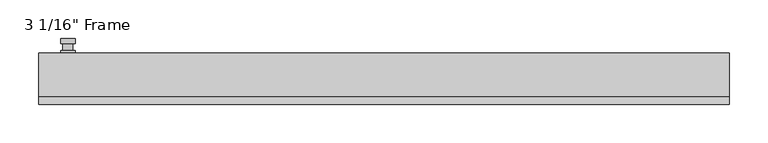
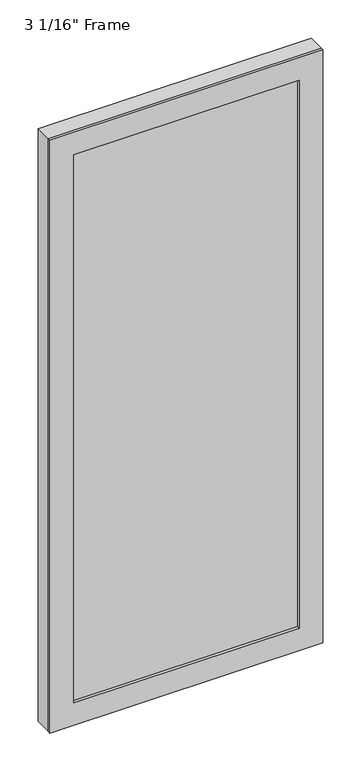
"""IFC4 building model written with IfcOpenShell, lengths in millimetres: plate geometry."""

import ifcopenshell
import ifcopenshell.guid

model = None  # the IFC model being written
_history = None  # IfcOwnerHistory: only IFC2X3 demands one
_inside = {}  # id of a spatial element -> (the spatial element, [elements in it])
_under = {}  # id of a project, library or spatial element -> (it, [spatial elements below it])
_declared = {}  # id of a project -> (the project, [libraries it declares])
_typed = {}  # id of a type object -> (the type object, [elements of that type])
_made_of = {}  # id of a material, layer set ... -> (it, [elements and type objects made of it])


def new_model(schema):
    """Start an empty IFC model of exactly this schema.

    Asked for "IFC4X3", IfcOpenShell would pick the latest addendum, in which some entities
    have other attributes; the version numbers below select the first issue.
    IFC2X3 requires an IfcOwnerHistory on every rooted entity: one is made here for all.
    """
    global model, _history
    if schema == "IFC4X3":
        model = ifcopenshell.file(schema_version=(4, 3, 0, 0))
    else:
        model = ifcopenshell.file(schema=schema)
    _inside.clear()
    _under.clear()
    _declared.clear()
    _typed.clear()
    _made_of.clear()
    _history = None
    if model.schema == "IFC2X3":
        org = make("IfcOrganization", Name="unknown")
        user = make(
            "IfcPersonAndOrganization",
            ThePerson=make("IfcPerson", FamilyName="unknown"),
            TheOrganization=org,
        )
        app = make(
            "IfcApplication",
            ApplicationDeveloper=org,
            Version="unknown",
            ApplicationFullName="unknown",
            ApplicationIdentifier="unknown",
        )
        _history = make(
            "IfcOwnerHistory",
            OwningUser=user,
            OwningApplication=app,
            ChangeAction="ADDED",
            CreationDate=0,
        )
    return model


def make(cls, **values):
    """One entity of the class cls with the attributes given. An attribute that is None is left unset."""
    return model.create_entity(
        cls, **{name: value for name, value in values.items() if value is not None}
    )


def rooted(cls, **values):
    """An entity with a GlobalId (a new one), such as an element, a storey or a relation."""
    return make(cls, GlobalId=ifcopenshell.guid.new(), OwnerHistory=_history, **values)


def si_unit(unit_type, name, prefix=None):
    """IfcSIUnit, for example si_unit("LENGTHUNIT", "METRE", prefix="MILLI")."""
    return make("IfcSIUnit", UnitType=unit_type, Prefix=prefix, Name=name)


def assignment(units):
    """IfcUnitAssignment: the units of a project."""
    return None if units is None else make("IfcUnitAssignment", Units=units)


def point(xyz):
    """IfcCartesianPoint."""
    return None if xyz is None else make("IfcCartesianPoint", Coordinates=xyz)


def direction(xyz):
    """IfcDirection."""
    return None if xyz is None else make("IfcDirection", DirectionRatios=xyz)


def frame(location, z_axis=None, x_axis=None):
    """IfcAxis2Placement3D, a coordinate frame: its origin and axes. An axis left out is left unset."""
    return make(
        "IfcAxis2Placement3D",
        Location=point(location),
        Axis=direction(z_axis),
        RefDirection=direction(x_axis),
    )


def origin():
    """The frame at (0, 0, 0) with its axes left unset."""
    return frame((0.0, 0.0, 0.0))


def place(relative_to, where):
    """IfcLocalPlacement: puts the frame where relative to a parent placement (None: the world)."""
    return make(
        "IfcLocalPlacement", PlacementRelTo=relative_to, RelativePlacement=where
    )


def context(
    kind, dimensions, precision=None, world=None, true_north=None, identifier=None
):
    """IfcGeometricRepresentationContext, for example the 3D "Model" context."""
    return make(
        "IfcGeometricRepresentationContext",
        ContextIdentifier=identifier,
        ContextType=kind,
        CoordinateSpaceDimension=dimensions,
        Precision=precision,
        WorldCoordinateSystem=world,
        TrueNorth=true_north,
    )


def project(units=None, contexts=None):
    """IfcProject with its units and contexts."""
    return rooted(
        "IfcProject",
        Name="project",
        RepresentationContexts=contexts,
        UnitsInContext=assignment(units),
    )


def spatial(cls, under=None, at=None, **own):
    """A site, building, storey or space (cls), placed at a placement, below another one or the project."""
    s = rooted(cls, ObjectPlacement=at, **own)
    if under is not None:
        _under.setdefault(under.id(), (under, []))[1].append(s)
    return s


def polyline(points):
    """IfcPolyline through the points."""
    return make("IfcPolyline", Points=[point(p) for p in points])


def circle_curve(where, radius):
    """IfcCircle in the frame where."""
    return make("IfcCircle", Position=where, Radius=radius)


def outline(outer, holes=None, kind="AREA"):
    """IfcArbitraryClosedProfileDef: a profile drawn as a closed curve; with holes, ...WithVoids."""
    if holes is None:
        return make("IfcArbitraryClosedProfileDef", ProfileType=kind, OuterCurve=outer)
    return make(
        "IfcArbitraryProfileDefWithVoids",
        ProfileType=kind,
        OuterCurve=outer,
        InnerCurves=holes,
    )


def extrude(swept, where, along, depth):
    """IfcExtrudedAreaSolid: the profile swept, set in the frame where, extruded along a direction by depth."""
    return make(
        "IfcExtrudedAreaSolid",
        SweptArea=swept,
        Position=where,
        ExtrudedDirection=direction(along),
        Depth=depth,
    )


def faces_of(points, faces, orient=None, outer=None):
    """IfcFace entities. A face is a list of loops; a loop is a list of indices into points, from 0.

    orient and outer hold one flag for each loop. By default every Orientation is true, the
    first loop of a face is its IfcFaceOuterBound and the others are IfcFaceBound.
    """
    made = []
    for i, loops in enumerate(faces):
        bounds = []
        for j, loop in enumerate(loops):
            is_outer = j == 0 if outer is None else outer[i][j]
            bounds.append(
                make(
                    "IfcFaceOuterBound" if is_outer else "IfcFaceBound",
                    Bound=make("IfcPolyLoop", Polygon=[points[k] for k in loop]),
                    Orientation=True if orient is None else orient[i][j],
                )
            )
        made.append(make("IfcFace", Bounds=bounds))
    return made


def faceted_brep(points, faces, orient=None, outer=None, voids=None):
    """IfcFacetedBrep: a solid bounded by flat faces; with voids (closed shells), ...WithVoids."""
    shared = [point(p) for p in points]
    hull = make("IfcClosedShell", CfsFaces=faces_of(shared, faces, orient, outer))
    if voids is None:
        return make("IfcFacetedBrep", Outer=hull)
    return make(
        "IfcFacetedBrepWithVoids",
        Outer=hull,
        Voids=[
            make(cls, CfsFaces=faces_of(shared, fs, o, b)) for cls, fs, o, b in voids
        ],
    )


def shape(context_of_items, identifier, shape_type, items):
    """IfcShapeRepresentation: the items that make up one representation, for example the "Body"."""
    return make(
        "IfcShapeRepresentation",
        ContextOfItems=context_of_items,
        RepresentationIdentifier=identifier,
        RepresentationType=shape_type,
        Items=items,
    )


def source(mapping_origin, context_of_items, identifier, shape_type, items):
    """IfcRepresentationMap: a shape defined once, which mapped items show again and again."""
    return make(
        "IfcRepresentationMap",
        MappingOrigin=mapping_origin,
        MappedRepresentation=shape(context_of_items, identifier, shape_type, items),
    )


def transform(
    local_origin,
    x_axis=None,
    y_axis=None,
    z_axis=None,
    scale=None,
    scale2=None,
    scale3=None,
    uniform=True,
):
    """IfcCartesianTransformationOperator3D, or its non-uniform kind. x_axis, y_axis, z_axis: its Axis1, 2, 3."""
    if uniform:
        return make(
            "IfcCartesianTransformationOperator3D",
            Axis1=direction(x_axis),
            Axis2=direction(y_axis),
            LocalOrigin=point(local_origin),
            Scale=scale,
            Axis3=direction(z_axis),
        )
    return make(
        "IfcCartesianTransformationOperator3DnonUniform",
        Axis1=direction(x_axis),
        Axis2=direction(y_axis),
        LocalOrigin=point(local_origin),
        Scale=scale,
        Axis3=direction(z_axis),
        Scale2=scale2,
        Scale3=scale3,
    )


def mapped(mapping_source, mapping_target):
    """IfcMappedItem: shows the shape of a source again, moved by a transform."""
    return make(
        "IfcMappedItem", MappingSource=mapping_source, MappingTarget=mapping_target
    )


def made_of(thing, what):
    """Note that an element or type object is made of a material, layer set ...; save() writes the relation."""
    if what is not None:
        _made_of.setdefault(what.id(), (what, []))[1].append(thing)
    return thing


def element(
    cls,
    number,
    at=None,
    inside=None,
    cuts=None,
    type_object=None,
    material=None,
    context=None,
    identifier="Body",
    shape_type=None,
    held_by="IfcProductDefinitionShape",
    body=None,
    shapes=None,
    **own,
):
    """One element of the class cls, such as IfcWall. Its Tag is "e" and its number.

    at: its placement. inside: the storey or other place that contains it. cuts: it is an
    opening in that element (IfcRelVoidsElement). A single representation is given by context,
    identifier, shape_type and body (its items); several are given by shapes. held_by: the class
    of the entity that holds the representations. save() writes the other relations.
    """
    e = rooted(cls, Tag="e%d" % number, ObjectPlacement=at, **own)
    if body is not None:
        shapes = [shape(context, identifier, shape_type, body)]
    if shapes is not None:
        e.Representation = make(held_by, Representations=shapes)
    if inside is not None:
        _inside.setdefault(inside.id(), (inside, []))[1].append(e)
    if cuts is not None:
        rooted(
            "IfcRelVoidsElement", RelatingBuildingElement=cuts, RelatedOpeningElement=e
        )
    if type_object is not None:
        _typed.setdefault(type_object.id(), (type_object, []))[1].append(e)
    return made_of(e, material)


def aggregate(whole, parts):
    """IfcRelAggregates: a whole, such as a stair, and the parts it consists of."""
    return rooted("IfcRelAggregates", RelatingObject=whole, RelatedObjects=parts)


def save(model, path):
    """Write the relations noted so far, then the file.

    IfcRelAggregates (storeys below a building ...), IfcRelContainedInSpatialStructure (elements
    in a storey), IfcRelDefinesByType, IfcRelAssociatesMaterial and IfcRelDeclares: one each for
    every whole, place, type object, material and project.
    """
    for whole, parts in _under.values():
        aggregate(whole, parts)
    for where, things in _inside.values():
        rooted(
            "IfcRelContainedInSpatialStructure",
            RelatedElements=things,
            RelatingStructure=where,
        )
    for kind, things in _typed.values():
        rooted("IfcRelDefinesByType", RelatedObjects=things, RelatingType=kind)
    for what, things in _made_of.values():
        rooted("IfcRelAssociatesMaterial", RelatedObjects=things, RelatingMaterial=what)
    for by, libraries in _declared.values():
        rooted("IfcRelDeclares", RelatingContext=by, RelatedDefinitions=libraries)
    model.write(path)


def plane_surface(at):
    """IfcPlane: the flat surface through the origin of the frame at, square to its z axis."""
    return make("IfcPlane", Position=at)


def cylinder_surface(at, radius):
    """IfcCylindricalSurface: all points at the distance radius from the z axis of the frame at."""
    return make("IfcCylindricalSurface", Position=at, Radius=radius)


def advanced_brep(points, edges, surfaces, faces):
    """IfcAdvancedBrep: a solid bounded by faces that lie on surfaces and meet in shared edges.

    An edge is (start, end): straight between two places in points (the first is 0);
    or (start, end, curve); or (start, end, curve, False) where it runs against its curve.
    A face is (place in surfaces, loops), or (place, loops, False) where it looks against
    its surface's normal. A loop lists edges by number (the first is 1), with a minus sign
    where the edge is run from its end to its start. The first loop is the outer one.
    """
    corners = [point(p) for p in points]
    vertices = [make("IfcVertexPoint", VertexGeometry=c) for c in corners]
    made = []
    for start, end, *more in edges:
        made.append(
            make(
                "IfcEdgeCurve",
                EdgeStart=vertices[start],
                EdgeEnd=vertices[end],
                EdgeGeometry=more[0] if more else make("IfcPolyline", Points=[corners[start], corners[end]]),
                SameSense=more[1] if len(more) > 1 else True,
            )
        )
    hull = []
    for where, loops, *sense in faces:
        bounds = []
        for j, loop in enumerate(loops):
            ring = [make("IfcOrientedEdge", EdgeElement=made[abs(k) - 1], Orientation=k > 0) for k in loop]
            bounds.append(
                make(
                    "IfcFaceOuterBound" if j == 0 else "IfcFaceBound",
                    Bound=make("IfcEdgeLoop", EdgeList=ring),
                    Orientation=True,
                )
            )
        hull.append(make("IfcAdvancedFace", Bounds=bounds, FaceSurface=surfaces[where], SameSense=sense[0] if sense else True))
    return make("IfcAdvancedBrep", Outer=make("IfcClosedShell", CfsFaces=hull))


def plate_3245a945(model_context):
    return source(origin(), model_context, "Body", "SolidModel", [
        advanced_brep(
        [(-400.685, 33.3375, 927.1), (-419.735, 33.3375, 927.1), (-419.735, 33.3375, 901.7), (-400.685, 33.3375, 901.7), (-403.86, 46.0375, 914.4), (-403.86, 36.5125, 914.4), (-416.56, 36.5125, 914.4), (-416.56, 46.0375, 914.4), (-400.685, 46.0375, 914.4), (-419.735, 46.0375, 914.4), (-416.5559644, 46.0375, 825.2736467), (-403.8640356, 46.0375, 825.2736467), (-400.685, 52.3875, 914.4), (-403.8640356, 52.3875, 825.2736467), (-416.5559644, 52.3875, 825.2736467), (-419.735, 52.3875, 914.4), (-400.685, 36.5125, 927.1), (-400.685, 36.5125, 901.7), (-419.735, 36.5125, 901.7), (-419.735, 36.5125, 927.1)],
        [
            (0, 1, circle_curve(frame((-410.21, 33.3375, 927.1), z_axis=(0.0, -1.0, 0.0), x_axis=(-1.0, 0.0, 0.0)), 9.525)),
            (1, 2),
            (2, 3, circle_curve(frame((-410.21, 33.3375, 901.7), z_axis=(0.0, -1.0, 0.0), x_axis=(-1.0, 0.0, 0.0)), 9.525)),
            (3, 0),
            (4, 5),
            (5, 6, circle_curve(frame((-410.21, 36.5125, 914.4), z_axis=(0.0, 1.0, 0.0), x_axis=(-1.0, 0.0, 0.0)), 6.35)),
            (6, 7),
            (7, 4, circle_curve(frame((-410.21, 46.0375, 914.4), z_axis=(0.0, -1.0, 0.0), x_axis=(-1.0, 0.0, 0.0)), 6.35)),
            (6, 5, circle_curve(frame((-410.21, 36.5125, 914.4), z_axis=(0.0, 1.0, 0.0), x_axis=(-1.0, 0.0, 0.0)), 6.35)),
            (4, 7, circle_curve(frame((-410.21, 46.0375, 914.4), z_axis=(0.0, -1.0, 0.0), x_axis=(-1.0, 0.0, 0.0)), 6.35)),
            (8, 9, circle_curve(frame((-410.21, 46.0375, 914.4), z_axis=(0.0, -1.0, 0.0), x_axis=(-1.0, 0.0, 0.0)), 9.525)),
            (9, 10),
            (10, 11, circle_curve(frame((-410.21, 46.0375, 825.5), z_axis=(0.0, -1.0, 0.0), x_axis=(-1.0, 0.0, 0.0)), 6.35)),
            (11, 8),
            (12, 13),
            (13, 14, circle_curve(frame((-410.21, 52.3875, 825.5), z_axis=(0.0, 1.0, 0.0), x_axis=(-1.0, 0.0, 0.0)), 6.35)),
            (14, 15),
            (15, 12, circle_curve(frame((-410.21, 52.3875, 914.4), z_axis=(0.0, 1.0, 0.0), x_axis=(-1.0, 0.0, 0.0)), 9.525)),
            (11, 13),
            (12, 8),
            (10, 14),
            (9, 15),
            (16, 17),
            (17, 18, circle_curve(frame((-410.21, 36.5125, 901.7), z_axis=(0.0, 1.0, 0.0), x_axis=(-1.0, 0.0, 0.0)), 9.525)),
            (18, 19),
            (19, 16, circle_curve(frame((-410.21, 36.5125, 927.1), z_axis=(0.0, 1.0, 0.0), x_axis=(-1.0, 0.0, 0.0)), 9.525)),
            (3, 17),
            (16, 0),
            (2, 18),
            (1, 19),
        ],
        [
            plane_surface(frame((-416.56, 33.3375, 914.4), z_axis=(0.0, -1.0, 0.0), x_axis=(0.0, 0.0, 1.0))),
            cylinder_surface(frame((-410.21, 46.0375, 914.4), z_axis=(0.0, -1.0, 0.0), x_axis=(-1.0, 0.0, 0.0)), 6.35),
            plane_surface(frame((-400.685, 46.0375, 914.4), z_axis=(0.0, -1.0000000000000002, 0.0), x_axis=(-0.03564619348186888, 0.0, -0.9993644724975235))),
            plane_surface(frame((-400.685, 52.3875, 914.4), z_axis=(0.0, 1.0000000000000002, 0.0), x_axis=(0.03564619348186888, 0.0, 0.9993644724975235))),
            plane_surface(frame((-400.685, 46.0375, 914.4), z_axis=(0.9993644724975235, 0.0, -0.03564619348186888), x_axis=(0.0, 1.0, 0.0))),
            cylinder_surface(frame((-410.21, 52.3875, 825.5), z_axis=(0.0, -1.0, 0.0), x_axis=(-1.0, 0.0, 0.0)), 6.35),
            plane_surface(frame((-416.5559644, 46.0375, 825.2736467), z_axis=(-0.9993644724975228, 0.0, -0.03564619348188612), x_axis=(0.0, 1.0, 0.0))),
            cylinder_surface(frame((-410.21, 52.3875, 914.4), z_axis=(0.0, -1.0, 0.0), x_axis=(-1.0, 0.0, 0.0)), 9.525),
            plane_surface(frame((-400.685, 36.5125, 901.7), z_axis=(0.0, 1.0, 0.0), x_axis=(0.0, 0.0, 1.0))),
            plane_surface(frame((-400.685, 33.3375, 927.1), z_axis=(1.0, 0.0, 0.0), x_axis=(0.0, 1.0, 0.0))),
            cylinder_surface(frame((-410.21, 36.5125, 901.7), z_axis=(0.0, -1.0, 0.0), x_axis=(-1.0, 0.0, 0.0)), 9.525),
            plane_surface(frame((-419.735, 33.3375, 901.7), z_axis=(-1.0, 0.0, 0.0), x_axis=(0.0, 1.0, 0.0))),
            cylinder_surface(frame((-410.21, 36.5125, 927.1), z_axis=(0.0, -1.0, 0.0), x_axis=(-1.0, 0.0, 0.0)), 9.525),
        ],
        [
            (0, [[1, 2, 3, 4]]),
            (1, [[5, 6, 7, 8]]),
            (1, [[-7, 9, -5, 10]]),
            (2, [[11, 12, 13, 14], [-10, -8]]),
            (3, [[15, 16, 17, 18]]),
            (4, [[19, -15, 20, -14]]),
            (5, [[21, -16, -19, -13]]),
            (6, [[22, -17, -21, -12]]),
            (7, [[-20, -18, -22, -11]]),
            (8, [[23, 24, 25, 26], [-9, -6]]),
            (9, [[27, -23, 28, -4]]),
            (10, [[29, -24, -27, -3]]),
            (11, [[30, -25, -29, -2]]),
            (12, [[-28, -26, -30, -1]]),
        ],
    ),
        extrude(outline(polyline([(0.0, 448.31), (2058.9875, 448.31), (2058.9875, -448.31), (0.0, -448.31), (0.0, 448.31)]), holes=[polyline([(1981.2, -370.5225), (1981.2, 370.5225), (77.7875, 370.5225), (77.7875, -370.5225), (1981.2, -370.5225)])]), frame((0.0, -33.3375, 0.0), z_axis=(0.0, 1.0, 0.0), x_axis=(0.0, 0.0, 1.0)), (0.0, 0.0, 1.0), 9.525),
        faceted_brep([(-448.31, 33.3375, 0.0), (448.31, 33.3375, 0.0), (448.31, -23.8125, 0.0), (-448.31, -23.8125, 0.0), (-448.31, -23.8125, 2058.9875), (-448.31, 33.3375, 2058.9875), (448.31, -23.8125, 2058.9875), (-383.2225, -23.8125, 1993.9), (383.2225, -23.8125, 1993.9), (383.2225, -23.8125, 65.0875), (-383.2225, -23.8125, 65.0875), (-383.2225, 0.0, 65.0875), (-383.2225, 0.0, 1993.9), (383.2225, 0.0, 65.0875), (383.2225, 0.0, 1993.9), (-370.5225, 0.0, 1981.2), (370.5225, 0.0, 1981.2), (370.5225, 0.0, 77.7875), (-370.5225, 0.0, 77.7875), (-376.8725, 33.3375, 71.4375), (-376.8725, 33.3375, 1987.55), (448.31, 33.3375, 2058.9875), (376.8725, 33.3375, 1987.55), (376.8725, 33.3375, 71.4375)], [[[0, 1, 2, 3]], [[3, 4, 5, 0]], [[2, 6, 4, 3], [7, 8, 9, 10]], [[7, 10, 11, 12]], [[12, 11, 13, 14], [15, 16, 17, 18]], [[15, 18, 19, 20]], [[5, 21, 1, 0], [22, 20, 19, 23]], [[4, 6, 21, 5]], [[7, 12, 14, 8]], [[15, 20, 22, 16]], [[2, 1, 21, 6]], [[13, 9, 8, 14]], [[22, 23, 17, 16]], [[19, 18, 17, 23]], [[9, 13, 11, 10]]]),
        extrude(outline(polyline([(383.2225, 0.0), (383.2225, -23.8125), (-383.2225, -23.8125), (-383.2225, 0.0), (383.2225, 0.0)])), frame((0.0, 0.0, 65.0875), z_axis=(0.0, 0.0, 1.0), x_axis=(1.0, 0.0, 0.0)), (0.0, 0.0, 1.0), 1928.8125),
    ])


if __name__ == "__main__":
    model = new_model("IFC4")
    model_context = context("Model", 3, world=origin())
    ifc_project = project(units=[si_unit("LENGTHUNIT", "METRE", prefix="MILLI")], contexts=[model_context])
    site = spatial("IfcSite", under=ifc_project)
    building = spatial("IfcBuilding", under=site)
    placement = place(None, origin())
    plate_shape = plate_3245a945(model_context)
    element("IfcPlate", 1, ObjectType="3 1/16\" Frame", at=placement, inside=building, context=model_context, shape_type="MappedRepresentation", body=[
        mapped(plate_shape, transform((0.0, 0.0, 0.0), x_axis=(1.0, 0.0, 0.0), y_axis=(0.0, 1.0, 0.0), z_axis=(0.0, 0.0, 1.0))),
    ])
    save(model, "model.ifc")
